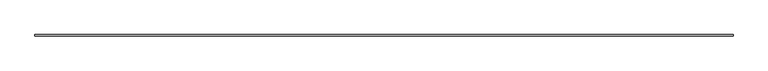
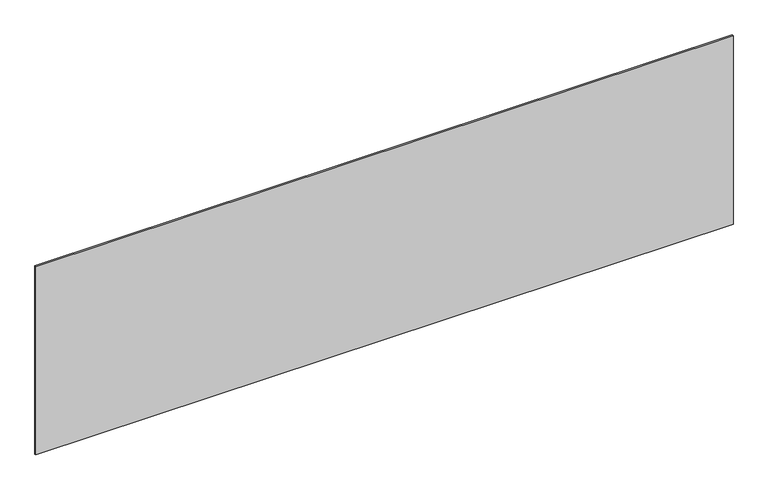
"""IFC4 building model written with IfcOpenShell, lengths in millimetres: plate geometry."""

from ifc_helpers import new_model, si_unit, origin, origin_with_axes, place, context, project, spatial, polyline, outline, extrude, source, transform, mapped, element, save


def plate_840d3f25(model_context):
    return source(origin(), model_context, "Body", "SweptSolid", [
        extrude(outline(polyline([(2264.1666667, -5.0), (-2264.1666667, -5.0), (-2264.1666667, 5.0), (2264.1666667, 5.0), (2264.1666667, -5.0)])), origin_with_axes(), (0.0, 0.0, 1.0), 1292.4387729),
    ])


if __name__ == "__main__":
    model = new_model("IFC4")
    model_context = context("Model", 3, world=origin())
    ifc_project = project(units=[si_unit("LENGTHUNIT", "METRE", prefix="MILLI")], contexts=[model_context])
    site = spatial("IfcSite", under=ifc_project)
    building = spatial("IfcBuilding", under=site)
    placement = place(None, origin())
    plate_shape = plate_840d3f25(model_context)
    element("IfcPlate", 1, at=placement, inside=building, context=model_context, shape_type="MappedRepresentation", body=[
        mapped(plate_shape, transform((0.0, 0.0, 0.0), x_axis=(1.0, 0.0, 0.0), y_axis=(0.0, 1.0, 0.0), z_axis=(0.0, 0.0, 1.0))),
    ])
    save(model, "model.ifc")
